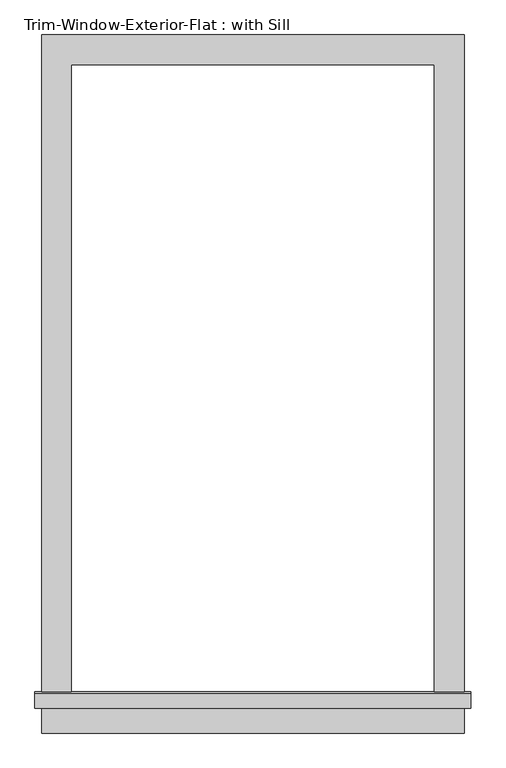
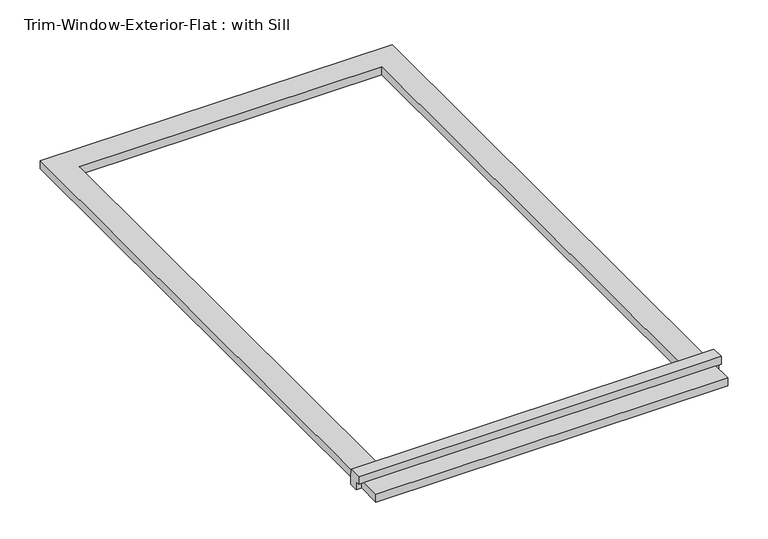
"""IFC4 building model written with IfcOpenShell, lengths in millimetres: proxy geometry, Trim-Window-Exterior-Flat : with Sill."""

from ifc_helpers import new_model, si_unit, frame, origin, origin_with_axes, place, context, project, spatial, polyline, outline, extrude, source, transform, mapped, element, save


def trim_window_exterior_flat_with_sill_b39b8b65(model_context):
    return source(origin(), model_context, "Body", "SweptSolid", [
        extrude(outline(polyline([(406.4, -1228.6823709), (406.4, -1285.8323709), (-406.4, -1285.8323709), (-406.4, -1228.6823709), (406.4, -1228.6823709)])), origin_with_axes(), (0.0, 0.0, 1.0), 19.05),
        extrude(outline(polyline([(-1238.25, 38.1), (-1208.9580645, 38.1), (-1206.5, 19.05), (-1206.5, 0.0), (-1228.6823709, 0.0), (-1228.6823709, 19.05), (-1238.25, 19.05), (-1238.25, 38.1)])), frame((-419.1, 0.0, 0.0), z_axis=(1.0, 0.0, 0.0), x_axis=(0.0, 1.0, 0.0)), (0.0, 0.0, 1.0), 838.2),
        extrude(outline(polyline([(-406.4, 57.15), (406.4, 57.15), (406.4, -1206.5), (349.25, -1206.5), (349.25, 0.0), (-349.25, 0.0), (-349.25, -1206.5), (-406.4, -1206.5), (-406.4, 57.15)])), origin_with_axes(), (0.0, 0.0, 1.0), 19.05),
    ])


if __name__ == "__main__":
    model = new_model("IFC4")
    model_context = context("Model", 3, world=origin())
    ifc_project = project(units=[si_unit("LENGTHUNIT", "METRE", prefix="MILLI")], contexts=[model_context])
    site = spatial("IfcSite", under=ifc_project)
    building = spatial("IfcBuilding", under=site)
    placement = place(None, origin())
    trim_window_exterior_flat_with_sill_shape = trim_window_exterior_flat_with_sill_b39b8b65(model_context)
    element("IfcBuildingElementProxy", 1, Name="Trim-Window-Exterior-Flat : with Sill", ObjectType="Trim-Window-Exterior-Flat : with Sill", at=placement, inside=building, context=model_context, shape_type="MappedRepresentation", body=[
        mapped(trim_window_exterior_flat_with_sill_shape, transform((0.0, 0.0, 0.0), x_axis=(1.0, 0.0, 0.0), y_axis=(0.0, 1.0, 0.0), z_axis=(0.0, 0.0, 1.0))),
    ])
    save(model, "model.ifc")
